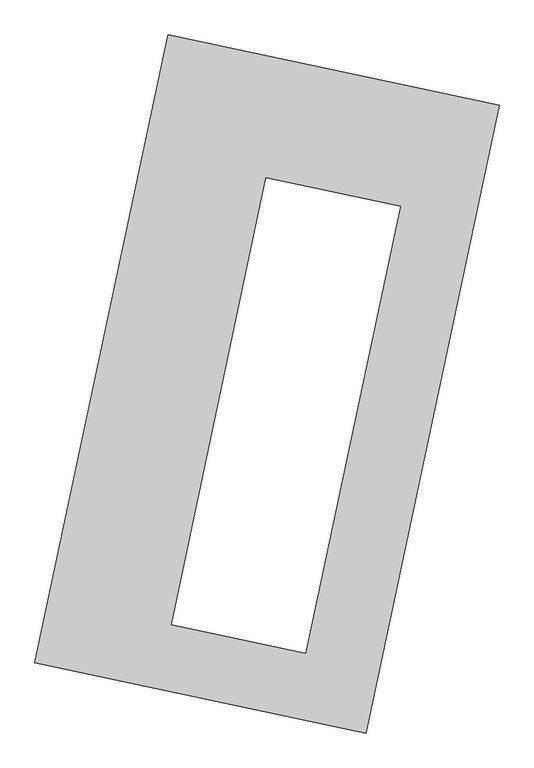
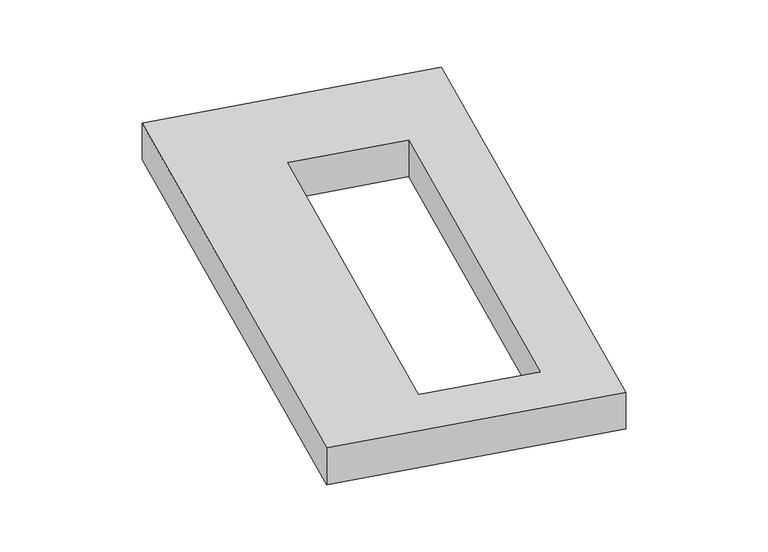
"""IFC4 building model written with IfcOpenShell, lengths in millimetres: proxy geometry."""

from ifc_helpers import new_model, si_unit, origin, origin_with_axes, place, context, project, spatial, polyline, outline, extrude, source, transform, mapped, element, save


def generic_models_99656a6e(model_context):
    return source(origin(), model_context, "Body", "SweptSolid", [
        extrude(outline(polyline([(-617.3692021, 2175.5580432), (1447.7508745, 1737.3010494), (617.3692021, -2175.5580432), (-1447.7508745, -1737.3010494), (-617.3692021, 2175.5580432)]), holes=[polyline([(832.3832809, 1108.2275989), (-4.7609207, 1285.8852108), (-596.3694644, -1501.8459575), (240.7747371, -1679.5035694), (832.3832809, 1108.2275989)])]), origin_with_axes(), (0.0, 0.0, 1.0), 300.0),
    ])


if __name__ == "__main__":
    model = new_model("IFC4")
    model_context = context("Model", 3, world=origin())
    ifc_project = project(units=[si_unit("LENGTHUNIT", "METRE", prefix="MILLI")], contexts=[model_context])
    site = spatial("IfcSite", under=ifc_project)
    building = spatial("IfcBuilding", under=site)
    placement = place(None, origin())
    generic_models_shape = generic_models_99656a6e(model_context)
    element("IfcBuildingElementProxy", 1, Name="Generic Models", at=placement, inside=building, context=model_context, shape_type="MappedRepresentation", body=[
        mapped(generic_models_shape, transform((0.0, 0.0, 0.0), x_axis=(1.0, 0.0, 0.0), y_axis=(0.0, 1.0, 0.0), z_axis=(0.0, 0.0, 1.0))),
    ])
    save(model, "model.ifc")
